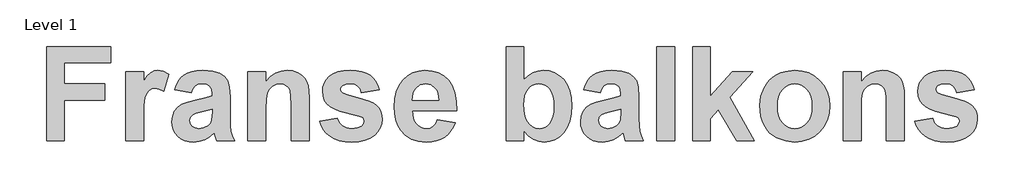
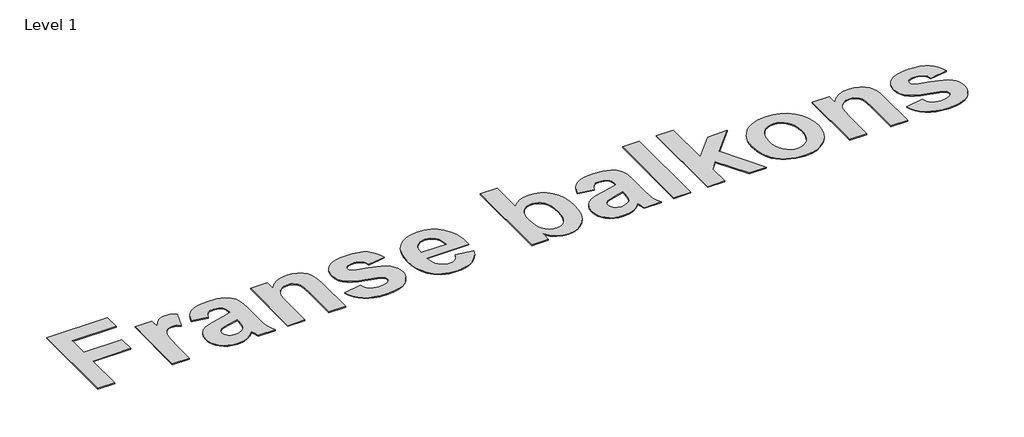
# One storey, part 17 of 20: 1 proxy.
"""IFC4 building model written with IfcOpenShell, lengths in millimetres."""

from ifc_helpers import new_model, si_unit, origin, origin_with_axes, place, context, project, spatial, polyline, outline, extrude, element, save

model = new_model("IFC4")

# Units and contexts
model_context = context("Model", 3, world=origin())
ifc_project = project(units=[si_unit("LENGTHUNIT", "METRE", prefix="MILLI")], contexts=[model_context])

# Site, building, storey
site = spatial("IfcSite", under=ifc_project)
building = spatial("IfcBuilding", under=site)
storey = spatial("IfcBuildingStorey", under=building, Name="Level 1", Elevation=0.0)

# Proxy
placement = place(None, origin())
element("IfcBuildingElementProxy", 1, Name="500mm", ObjectType="500mm", at=placement, inside=storey, context=model_context, shape_type="SweptSolid", body=[
    extrude(outline(polyline([(39841.2903602, -7713.4393834), (39841.2903602, -7213.4393834), (40182.5602015, -7213.4393834), (40182.5602015, -7300.7409707), (39936.5284555, -7300.7409707), (39936.5284555, -7411.8520818), (40150.8141697, -7411.8520818), (40150.8141697, -7499.1536691), (39936.5284555, -7499.1536691), (39936.5284555, -7713.4393834), (39841.2903602, -7713.4393834)])), origin_with_axes(), (0.0, 0.0, 1.0), 5.0),
    extrude(outline(polyline([(40357.1633761, -7713.4393834), (40261.9252809, -7713.4393834), (40261.9252809, -7348.3600183), (40357.1633761, -7348.3600183), (40357.1633761, -7399.2032723), (40377.2836638, -7369.3018586), (40395.2338126, -7351.7702365), (40413.2769674, -7343.2601919), (40433.6762729, -7340.4235104), (40463.4071757, -7345.4458318), (40492.084011, -7360.5127961), (40464.3062332, -7451.1625977), (40441.364765, -7439.5368536), (40420.1594078, -7435.6616056), (40401.8527362, -7438.3742792), (40386.615261, -7446.5123), (40374.3694773, -7461.7187733), (40365.0378801, -7485.636804), (40359.1320021, -7529.4116056), (40357.1633761, -7604.1883913), (40357.1633761, -7713.4393834)])), origin_with_axes(), (0.0, 0.0, 1.0), 5.0),
    extrude(outline(polyline([(40611.1316301, -7459.4711294), (40523.8300428, -7443.5981135), (40532.0339428, -7419.0135401), (40542.7567541, -7397.839185), (40555.9984765, -7380.0750481), (40571.7591102, -7365.7211294), (40590.8369562, -7354.6534211), (40614.0303156, -7346.7479151), (40641.3391884, -7342.0046115), (40672.7635745, -7340.4235104), (40725.8699733, -7344.2522554), (40763.4133761, -7355.7384905), (40788.7729991, -7373.0996016), (40805.3280586, -7394.5529746), (40814.442642, -7427.8956086), (40817.4808364, -7480.9245024), (40817.4808364, -7593.5237088), (40818.7364168, -7635.3143834), (40822.5031578, -7664.4562485), (40829.7111192, -7688.1107623), (40841.2903602, -7713.4393834), (40746.052265, -7713.4393834), (40737.1236936, -7683.1814469), (40733.7754793, -7671.152677), (40709.1289019, -7693.0865808), (40682.8082174, -7708.7890858), (40654.7514217, -7718.2291899), (40624.896511, -7721.3758913), (40599.1764899, -7719.465394), (40576.3319029, -7713.7339022), (40556.3627499, -7704.1814159), (40539.2690309, -7690.807935), (40525.5700291, -7674.5202676), (40515.7850279, -7656.2252217), (40509.9140271, -7635.9227973), (40507.9570269, -7613.6129945), (40511.4447501, -7584.4091254), (40521.9079197, -7558.5534707), (40538.6644922, -7537.1931036), (40561.0324237, -7521.4750977), (40591.75539, -7509.4153258), (40633.5770666, -7499.0296612), (40687.7375328, -7486.7838774), (40722.2427412, -7475.3441453), (40722.2427412, -7465.2995024), (40719.2820517, -7440.5599191), (40710.3999832, -7424.1288675), (40693.333391, -7414.9212782), (40665.8191301, -7411.8520818), (40646.0708662, -7414.4872504), (40631.2209158, -7422.3927564), (40619.9981975, -7436.9326869), (40611.1316301, -7459.4711294)]), holes=[polyline([(40722.2427412, -7546.7727167), (40668.5473047, -7559.9795619), (40638.1653602, -7567.5595471), (40620.4322253, -7575.0465262), (40607.5043979, -7588.5943933), (40603.1951221, -7605.4284707), (40606.6518434, -7622.309051), (40617.0220071, -7636.7404746), (40632.724512, -7646.6456086), (40652.1782571, -7649.9473199), (40675.5227511, -7646.1030739), (40697.6891697, -7634.5703358), (40711.0200229, -7621.6115064), (40718.770519, -7606.0485104), (40722.2427412, -7564.0098199), (40722.2427412, -7546.7727167)])]), origin_with_axes(), (0.0, 0.0, 1.0), 5.0),
    extrude(outline(polyline([(41238.1157571, -7713.4393834), (41142.8776618, -7713.4393834), (41142.8776618, -7525.8153754), (41141.3895666, -7476.7082326), (41136.9252809, -7448.6824389), (41129.0817789, -7433.1504449), (41117.4560348, -7421.5247008), (41102.6060844, -7414.2702365), (41085.0899634, -7411.8520818), (41062.0399882, -7415.308803), (41041.5011737, -7425.6789667), (41025.256134, -7441.7689965), (41015.0874832, -7462.3853159), (41009.739641, -7494.9529002), (41007.9570269, -7546.8967246), (41007.9570269, -7713.4393834), (40912.7189317, -7713.4393834), (40912.7189317, -7348.3600183), (41007.9570269, -7348.3600183), (41007.9570269, -7400.9393834), (41032.0533191, -7374.4636889), (41059.0792987, -7355.5524786), (41089.0349659, -7344.2057524), (41121.9203205, -7340.4235104), (41150.8761737, -7343.3066949), (41177.2278602, -7351.9562485), (41199.239269, -7365.0700877), (41215.1742888, -7381.3461294), (41226.1024882, -7400.3968487), (41233.0934356, -7421.8347207), (41236.8601767, -7449.3799836), (41238.1157571, -7486.7528754), (41238.1157571, -7713.4393834)])), origin_with_axes(), (0.0, 0.0, 1.0), 5.0),
    extrude(outline(polyline([(41293.6713126, -7610.2647802), (41388.9094078, -7594.3917643), (41397.9774882, -7618.3873), (41413.2769674, -7635.8104151), (41435.3348791, -7646.4130937), (41464.6782571, -7649.9473199), (41496.5172947, -7646.5681036), (41519.3657571, -7636.4304548), (41528.6663523, -7625.3937485), (41531.7665507, -7611.1328358), (41530.1234455, -7601.2742048), (41525.1941301, -7593.2756929), (41513.9404098, -7586.7342742), (41494.068138, -7580.7508913), (41402.0852511, -7556.3833318), (41371.5560472, -7544.9901026), (41351.3350031, -7534.1239072), (41333.0515829, -7517.933121), (41319.9919971, -7498.8746512), (41312.1562456, -7476.948498), (41309.5443285, -7452.1546612), (41311.7842218, -7429.4689593), (41318.5039019, -7408.6588774), (41329.7033687, -7389.7244156), (41345.3826221, -7372.6655739), (41365.7741772, -7358.5596711), (41391.1105487, -7348.4840262), (41421.3917367, -7342.4386393), (41456.6177412, -7340.4235104), (41490.1541375, -7342.0511145), (41519.0867392, -7346.933927), (41543.4155462, -7355.0719479), (41563.1405586, -7366.465177), (41579.2073369, -7381.0516106), (41592.5614416, -7398.7692445), (41603.2028726, -7419.6180788), (41611.1316301, -7443.5981135), (41515.8935348, -7459.4711294), (41508.8870864, -7439.1028258), (41497.5403602, -7424.1288675), (41481.1713126, -7414.9212782), (41459.0978999, -7411.8520818), (41431.9711638, -7414.4562485), (41413.8350031, -7422.2687485), (41407.0455686, -7430.8252961), (41404.7824237, -7441.6139865), (41407.0455686, -7450.9455838), (41413.8350031, -7458.8510897), (41440.9772402, -7470.2288179), (41498.0983959, -7485.5127961), (41559.3118136, -7504.7650282), (41581.7456244, -7515.902491), (41598.7308364, -7528.0475183), (41611.1006281, -7542.1456706), (41619.9361936, -7558.7704846), (41625.2375328, -7577.9219603), (41627.0046459, -7599.6000977), (41624.443107, -7623.7080156), (41616.7584902, -7646.0565709), (41603.9507955, -7666.6457636), (41586.0200229, -7685.4755937), (41563.0669289, -7701.1819739), (41535.1922699, -7712.4008169), (41502.396046, -7719.1321227), (41464.6782571, -7721.3758913), (41430.1226705, -7719.5080218), (41399.3725775, -7713.9044131), (41372.427978, -7704.5650654), (41349.2888721, -7691.4899786), (41329.8855053, -7675.2061865), (41314.1481231, -7656.2407227), (41302.0767256, -7634.5935872), (41293.6713126, -7610.2647802)])), origin_with_axes(), (0.0, 0.0, 1.0), 5.0),
    extrude(outline(polyline([(41920.6554396, -7602.3282723), (42015.8935348, -7618.2012881), (42005.6008761, -7641.9294317), (41992.7040507, -7662.6426324), (41977.2030586, -7680.3408901), (41959.0978999, -7695.0242048), (41938.47383, -7706.5530677), (41915.4161043, -7714.7879697), (41889.9247228, -7719.7289109), (41861.9996856, -7721.3758913), (41818.8681752, -7717.4928928), (41781.7355487, -7705.8438973), (41750.6018062, -7686.4289047), (41725.4669475, -7659.2479151), (41710.1674684, -7632.7489692), (41699.239269, -7602.9793139), (41692.6823493, -7569.9389493), (41690.4967094, -7533.6278754), (41693.3953949, -7490.8141354), (41702.0914515, -7452.8987088), (41716.5848791, -7419.8815957), (41736.8756777, -7391.7627961), (41761.59976, -7369.3018586), (41789.3930388, -7353.2583318), (41820.255514, -7343.6322157), (41854.1871856, -7340.4235104), (41891.8933488, -7343.7174712), (41925.3987432, -7353.5993536), (41954.7033687, -7370.0691577), (41979.8072253, -7393.1268834), (41999.8112556, -7422.9895446), (42013.8164019, -7459.8741552), (42021.8226643, -7503.7807152), (42023.8300428, -7554.7092246), (41785.7348047, -7554.7092246), (41791.8421955, -7594.8257921), (41798.7323865, -7611.1173348), (41808.1802412, -7624.8977167), (41819.5657198, -7635.8569181), (41832.2687828, -7643.6849191), (41846.2894302, -7648.3817197), (41861.6276618, -7649.9473199), (41881.6239416, -7647.1261393), (41898.2100031, -7638.6625977), (41911.2618384, -7623.9366552), (41920.6554396, -7602.3282723)]), holes=[polyline([(41928.5919475, -7499.1536691), (41922.7945765, -7461.5017594), (41916.2919103, -7446.5239258), (41907.3865904, -7434.1115064), (41885.0031578, -7417.4169379), (41858.2794475, -7411.8520818), (41830.067642, -7417.7114568), (41807.1881777, -7435.2895818), (41798.4146162, -7448.1166527), (41792.1832174, -7463.0363576), (41787.3469078, -7499.1536691), (41928.5919475, -7499.1536691)])]), origin_with_axes(), (0.0, 0.0, 1.0), 5.0),
    extrude(outline(polyline([(42285.7348047, -7713.4393834), (42285.7348047, -7213.4393834), (42380.9728999, -7213.4393834), (42380.9728999, -7390.3987088), (42403.8058612, -7368.5345595), (42428.6539515, -7352.91731), (42455.5171707, -7343.5469603), (42484.395519, -7340.4235104), (42515.599016, -7343.4384533), (42543.9813324, -7352.4832822), (42569.5424684, -7367.557997), (42592.2824237, -7388.6625977), (42610.9456182, -7415.4095595), (42624.2764713, -7447.4113576), (42632.2749832, -7484.667992), (42634.9411539, -7527.1794627), (42632.2904842, -7571.1325257), (42624.3384753, -7609.7377465), (42611.0851271, -7642.9951249), (42592.5304396, -7670.9046612), (42570.19351, -7692.9858243), (42545.5934356, -7708.7580838), (42518.7302164, -7718.2214394), (42489.6038523, -7721.3758913), (42460.0434604, -7717.5626473), (42430.8860944, -7706.1229151), (42403.9298692, -7687.1807028), (42380.9728999, -7660.8600183), (42380.9728999, -7713.4393834), (42285.7348047, -7713.4393834)]), holes=[polyline([(42380.9728999, -7523.9552564), (42385.3751817, -7574.7365064), (42390.8780338, -7594.4072653), (42398.5820269, -7610.2647802), (42411.8818781, -7627.6258913), (42427.2278602, -7640.026685), (42444.6199733, -7647.4671612), (42464.0582174, -7649.9473199), (42479.1678094, -7648.1879573), (42493.1225775, -7642.9098695), (42505.9225217, -7634.1130565), (42517.567642, -7621.7975183), (42527.2518868, -7605.7074885), (42534.1692045, -7585.5872008), (42538.3195951, -7561.4366552), (42539.7030586, -7533.2558516), (42538.3118446, -7503.2653072), (42534.1382025, -7477.777801), (42527.1821323, -7456.793333), (42517.443634, -7440.3119032), (42505.5272464, -7427.8607313), (42492.037508, -7418.9670371), (42476.974419, -7413.6308206), (42460.3379793, -7411.8520818), (42444.0038089, -7413.5881929), (42429.1034803, -7418.7965262), (42415.6369934, -7427.4770818), (42403.6043483, -7439.6298596), (42393.7030896, -7455.3168635), (42386.630762, -7474.6000977), (42382.3873654, -7497.4795619), (42380.9728999, -7523.9552564)])]), origin_with_axes(), (0.0, 0.0, 1.0), 5.0),
    extrude(outline(polyline([(42785.7348047, -7459.4711294), (42698.4332174, -7443.5981135), (42706.6371174, -7419.0135401), (42717.3599287, -7397.839185), (42730.6016511, -7380.0750481), (42746.3622848, -7365.7211294), (42765.4401308, -7354.6534211), (42788.6334902, -7346.7479151), (42815.942363, -7342.0046115), (42847.3667491, -7340.4235104), (42900.4731479, -7344.2522554), (42938.0165507, -7355.7384905), (42963.3761737, -7373.0996016), (42979.9312332, -7394.5529746), (42989.0458166, -7427.8956086), (42992.084011, -7480.9245024), (42992.084011, -7593.5237088), (42993.3395914, -7635.3143834), (42997.1063324, -7664.4562485), (43004.3142938, -7688.1107623), (43015.8935348, -7713.4393834), (42920.6554396, -7713.4393834), (42911.7268682, -7683.1814469), (42908.3786539, -7671.152677), (42883.7320765, -7693.0865808), (42857.411392, -7708.7890858), (42829.3545963, -7718.2291899), (42799.4996856, -7721.3758913), (42773.7796645, -7719.465394), (42750.9350775, -7713.7339022), (42730.9659245, -7704.1814159), (42713.8722055, -7690.807935), (42700.1732037, -7674.5202676), (42690.3882025, -7656.2252217), (42684.5172017, -7635.9227973), (42682.5602015, -7613.6129945), (42686.0479247, -7584.4091254), (42696.5110944, -7558.5534707), (42713.2676668, -7537.1931036), (42735.6355983, -7521.4750977), (42766.3585646, -7509.4153258), (42808.1802412, -7499.0296612), (42862.3407074, -7486.7838774), (42896.8459158, -7475.3441453), (42896.8459158, -7465.2995024), (42893.8852263, -7440.5599191), (42885.0031578, -7424.1288675), (42867.9365656, -7414.9212782), (42840.4223047, -7411.8520818), (42820.6740408, -7414.4872504), (42805.8240904, -7422.3927564), (42794.6013721, -7436.9326869), (42785.7348047, -7459.4711294)]), holes=[polyline([(42896.8459158, -7546.7727167), (42843.1504793, -7559.9795619), (42812.7685348, -7567.5595471), (42795.0353999, -7575.0465262), (42782.1075725, -7588.5943933), (42777.7982967, -7605.4284707), (42781.255018, -7622.309051), (42791.6251817, -7636.7404746), (42807.3276866, -7646.6456086), (42826.7814317, -7649.9473199), (42850.1259257, -7646.1030739), (42872.2923444, -7634.5703358), (42885.6231975, -7621.6115064), (42893.3736936, -7606.0485104), (42896.8459158, -7564.0098199), (42896.8459158, -7546.7727167)])]), origin_with_axes(), (0.0, 0.0, 1.0), 5.0),
    extrude(outline(polyline([(43087.3221063, -7713.4393834), (43087.3221063, -7213.4393834), (43182.5602015, -7213.4393834), (43182.5602015, -7713.4393834), (43087.3221063, -7713.4393834)])), origin_with_axes(), (0.0, 0.0, 1.0), 5.0),
    extrude(outline(polyline([(43277.7982967, -7713.4393834), (43277.7982967, -7213.4393834), (43373.036392, -7213.4393834), (43373.036392, -7476.9562485), (43488.1157571, -7348.3600183), (43599.2268682, -7348.3600183), (43476.8310348, -7482.5366056), (43607.1633761, -7713.4393834), (43511.9252809, -7713.4393834), (43415.5711142, -7549.8729151), (43373.036392, -7596.4998992), (43373.036392, -7713.4393834), (43277.7982967, -7713.4393834)])), origin_with_axes(), (0.0, 0.0, 1.0), 5.0),
    extrude(outline(polyline([(43634.9411539, -7525.6913675), (43640.8160299, -7478.4598447), (43658.4406578, -7432.7474191), (43671.411113, -7411.6001907), (43686.8229743, -7393.1113824), (43704.6762419, -7377.2809942), (43724.9709158, -7364.1090262), (43747.1140829, -7353.746613), (43770.5128305, -7346.3448893), (43821.0770666, -7340.4235104), (43860.2674498, -7343.7794751), (43895.7453453, -7353.8473695), (43927.5107533, -7370.6271934), (43955.5636737, -7394.1189469), (43978.4857657, -7422.7415287), (43994.8586886, -7454.9138377), (44004.6824423, -7490.635874), (44007.9570269, -7529.9076373), (44004.6475651, -7569.4932958), (43994.7191797, -7605.5369776), (43978.1718706, -7638.0386827), (43955.005638, -7666.9984112), (43926.8248344, -7690.7885587), (43895.2338126, -7707.7815213), (43860.2325725, -7717.9772988), (43821.8211142, -7721.3758913), (43773.2565061, -7715.7180292), (43727.0170467, -7698.7444429), (43705.8271906, -7686.1072591), (43687.3345071, -7670.8271562), (43671.5389961, -7652.9041341), (43658.4406578, -7632.3381929), (43648.1596249, -7609.2572157), (43640.8160299, -7583.7890858), (43634.9411539, -7525.6913675)]), holes=[polyline([(43730.1792491, -7530.8997008), (43731.8262295, -7558.0458132), (43736.7671707, -7581.8204598), (43745.0020728, -7602.2236406), (43756.5309356, -7619.2553556), (43770.4779532, -7632.68309), (43785.9673196, -7642.2743288), (43802.9990346, -7648.0290721), (43821.5730983, -7649.9473199), (43840.1394116, -7648.0290721), (43857.1478751, -7642.2743288), (43872.5984889, -7632.68309), (43886.4912531, -7619.2553556), (43897.9658625, -7602.1771376), (43906.162012, -7581.6344479), (43911.0797017, -7557.6272864), (43912.7189317, -7530.1556532), (43911.0797017, -7503.3350617), (43906.162012, -7479.79293), (43897.9658625, -7459.5292581), (43886.4912531, -7442.5440461), (43872.5984889, -7429.1163117), (43857.1478751, -7419.5250729), (43840.1394116, -7413.7703296), (43821.5730983, -7411.8520818), (43802.9990346, -7413.7703296), (43785.9673196, -7419.5250729), (43770.4779532, -7429.1163117), (43756.5309356, -7442.5440461), (43745.0020728, -7459.5757611), (43736.7671707, -7479.9789419), (43731.8262295, -7503.7535885), (43730.1792491, -7530.8997008)])]), origin_with_axes(), (0.0, 0.0, 1.0), 5.0),
    extrude(outline(polyline([(44404.7824237, -7713.4393834), (44309.5443285, -7713.4393834), (44309.5443285, -7525.8153754), (44308.0562332, -7476.7082326), (44303.5919475, -7448.6824389), (44295.7484455, -7433.1504449), (44284.1227015, -7421.5247008), (44269.2727511, -7414.2702365), (44251.7566301, -7411.8520818), (44228.7066549, -7415.308803), (44208.1678404, -7425.6789667), (44191.9228007, -7441.7689965), (44181.7541499, -7462.3853159), (44176.4063076, -7494.9529002), (44174.6236936, -7546.8967246), (44174.6236936, -7713.4393834), (44079.3855983, -7713.4393834), (44079.3855983, -7348.3600183), (44174.6236936, -7348.3600183), (44174.6236936, -7400.9393834), (44198.7199857, -7374.4636889), (44225.7459654, -7355.5524786), (44255.7016325, -7344.2057524), (44288.5869872, -7340.4235104), (44317.5428404, -7343.3066949), (44343.8945269, -7351.9562485), (44365.9059356, -7365.0700877), (44381.8409555, -7381.3461294), (44392.7691549, -7400.3968487), (44399.7601023, -7421.8347207), (44403.5268434, -7449.3799836), (44404.7824237, -7486.7528754), (44404.7824237, -7713.4393834)])), origin_with_axes(), (0.0, 0.0, 1.0), 5.0),
    extrude(outline(polyline([(44460.3379793, -7610.2647802), (44555.5760745, -7594.3917643), (44564.6441549, -7618.3873), (44579.943634, -7635.8104151), (44602.0015457, -7646.4130937), (44631.3449237, -7649.9473199), (44663.1839614, -7646.5681036), (44686.0324237, -7636.4304548), (44695.333019, -7625.3937485), (44698.4332174, -7611.1328358), (44696.7901122, -7601.2742048), (44691.8607967, -7593.2756929), (44680.6070765, -7586.7342742), (44660.7348047, -7580.7508913), (44568.7519178, -7556.3833318), (44538.2227139, -7544.9901026), (44518.0016697, -7534.1239072), (44499.7182496, -7517.933121), (44486.6586638, -7498.8746512), (44478.8229123, -7476.948498), (44476.2109951, -7452.1546612), (44478.4508885, -7429.4689593), (44485.1705686, -7408.6588774), (44496.3700353, -7389.7244156), (44512.0492888, -7372.6655739), (44532.4408439, -7358.5596711), (44557.7772154, -7348.4840262), (44588.0584034, -7342.4386393), (44623.2844078, -7340.4235104), (44656.8208042, -7342.0511145), (44685.7534059, -7346.933927), (44710.0822129, -7355.0719479), (44729.8072253, -7366.465177), (44745.8740036, -7381.0516106), (44759.2281082, -7398.7692445), (44769.8695393, -7419.6180788), (44777.7982967, -7443.5981135), (44682.5602015, -7459.4711294), (44675.5537531, -7439.1028258), (44664.2070269, -7424.1288675), (44647.8379793, -7414.9212782), (44625.7645666, -7411.8520818), (44598.6378305, -7414.4562485), (44580.5016697, -7422.2687485), (44573.7122352, -7430.8252961), (44571.4490904, -7441.6139865), (44573.7122352, -7450.9455838), (44580.5016697, -7458.8510897), (44607.6439069, -7470.2288179), (44664.7650626, -7485.5127961), (44725.9784803, -7504.7650282), (44748.412291, -7515.902491), (44765.3975031, -7528.0475183), (44777.7672947, -7542.1456706), (44786.6028602, -7558.7704846), (44791.9041995, -7577.9219603), (44793.6713126, -7599.6000977), (44791.1097737, -7623.7080156), (44783.4251569, -7646.0565709), (44770.6174622, -7666.6457636), (44752.6866896, -7685.4755937), (44729.7335956, -7701.1819739), (44701.8589366, -7712.4008169), (44669.0627127, -7719.1321227), (44631.3449237, -7721.3758913), (44596.7893372, -7719.5080218), (44566.0392442, -7713.9044131), (44539.0946447, -7704.5650654), (44515.9555388, -7691.4899786), (44496.552172, -7675.2061865), (44480.8147898, -7656.2407227), (44468.7433922, -7634.5935872), (44460.3379793, -7610.2647802)])), origin_with_axes(), (0.0, 0.0, 1.0), 5.0),
])

save(model, "model.ifc")
